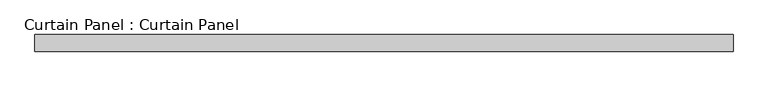
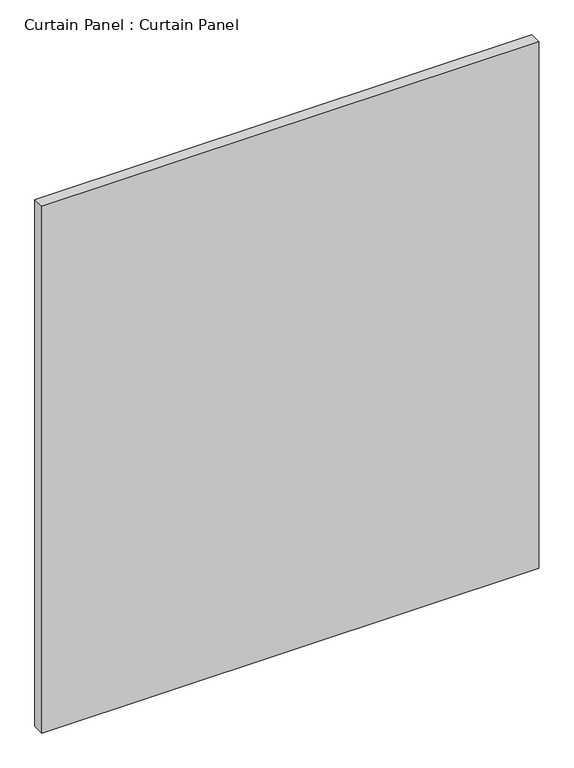
"""IFC4 building model written with IfcOpenShell, lengths in millimetres: plate geometry, Curtain Panel : Curtain Panel."""

from ifc_helpers import new_model, si_unit, frame, origin, place, context, project, spatial, polyline, outline, extrude, source, transform, mapped, element, save


def curtain_panel_curtain_panel_57abde6b(model_context):
    return source(origin(), model_context, "Body", "SweptSolid", [
        extrude(outline(polyline([(-82678.7208639, 12349.4495258), (-83716.9756924, 12349.4495258), (-83716.9756924, 12374.8495258), (-82678.7208639, 12374.8495258), (-82678.7208639, 12349.4495258)])), frame((0.0, 0.0, 2453.3404146), z_axis=(0.0, 0.0, 1.0), x_axis=(1.0, 0.0, 0.0)), (0.0, 0.0, 1.0), 1162.9845854),
    ])


if __name__ == "__main__":
    model = new_model("IFC4")
    model_context = context("Model", 3, world=origin())
    ifc_project = project(units=[si_unit("LENGTHUNIT", "METRE", prefix="MILLI")], contexts=[model_context])
    site = spatial("IfcSite", under=ifc_project)
    building = spatial("IfcBuilding", under=site)
    placement = place(None, origin())
    curtain_panel_curtain_panel_shape = curtain_panel_curtain_panel_57abde6b(model_context)
    element("IfcPlate", 1, ObjectType="Curtain Panel : Curtain Panel", at=placement, inside=building, context=model_context, shape_type="MappedRepresentation", body=[
        mapped(curtain_panel_curtain_panel_shape, transform((0.0, 0.0, 0.0), x_axis=(1.0, 0.0, 0.0), y_axis=(0.0, 1.0, 0.0), z_axis=(0.0, 0.0, 1.0))),
    ])
    save(model, "model.ifc")
